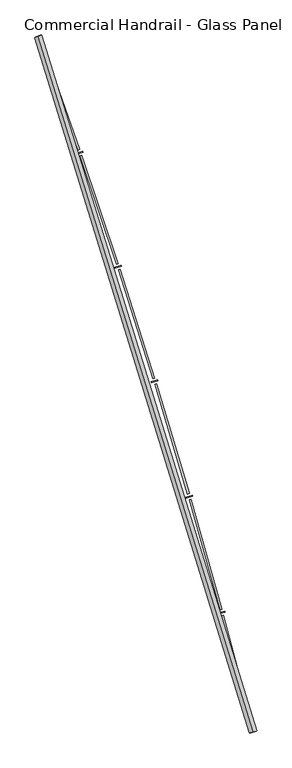
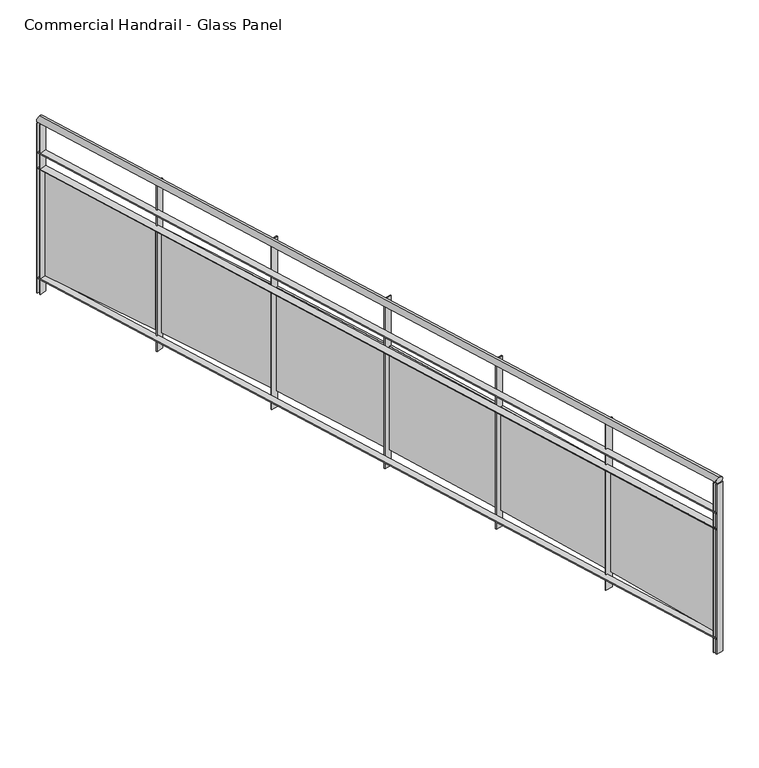
"""IFC4 building model written with IfcOpenShell, lengths in millimetres: railing geometry, Commercial Handrail - Glass Panel."""

from ifc_helpers import new_model, si_unit, point, frame, origin, place, context, project, spatial, polyline, circle_curve, ellipse_curve, trimmed, outline, extrude, source, transform, mapped, element, save
from ifc_brep_helpers import plane_surface, cylinder_surface, revolved_surface, advanced_brep


def commercial_handrail_glass_panel_5fe4cafb(model_context):
    return source(origin(), model_context, "Body", "SolidModel", [
        advanced_brep(
        [(180775.6028582, -41782.2225015, 29882.5), (179346.0628414, -37160.8311359, 29882.5), (179346.0628414, -37160.8311359, 29917.5), (180775.6028582, -41782.2225015, 29917.5)],
        [
            (0, 1, circle_curve(frame((134505.1876621, -53563.3040857, 29882.5), z_axis=(0.0, 0.0, 1.0), x_axis=(0.9391412678699065, 0.3435311906999195, 0.0)), 47746.6774311)),
            (1, 2, ellipse_curve(frame((179346.0628414, -37160.8311359, 29900.0), z_axis=(0.34353119069991334, -0.9391412678699089, 0.0), x_axis=(-0.9391412678699087, -0.3435311906999133, 0.0)), 25.0, 17.5)),
            (2, 3, circle_curve(frame((134505.1876621, -53563.3040857, 29917.5), z_axis=(0.0, 0.0, -1.0), x_axis=(0.9391412678699065, 0.3435311906999195, 0.0)), 47746.6774311)),
            (3, 0, ellipse_curve(frame((180775.6028582, -41782.2225015, 29900.0), z_axis=(-0.24674139056469252, 0.969081362003316, 0.0), x_axis=(-0.969081362003316, -0.24674139056469252, 0.0)), 25.0, 17.5)),
            (2, 1, ellipse_curve(frame((179346.0628414, -37160.8311359, 29900.0), z_axis=(0.34353119069991334, -0.9391412678699089, 0.0), x_axis=(-0.9391412678699087, -0.3435311906999133, 0.0)), 25.0, 17.5)),
            (0, 3, ellipse_curve(frame((180775.6028582, -41782.2225015, 29900.0), z_axis=(-0.24674139056469252, 0.969081362003316, 0.0), x_axis=(-0.969081362003316, -0.24674139056469252, 0.0)), 25.0, 17.5)),
        ],
        [
            revolved_surface(trimmed(ellipse_curve(frame((179346.0628414, -37160.8311359, 29900.0), z_axis=(-0.3435311906999195, 0.9391412678699065, 0.0), x_axis=(0.0, 0.0, -1.0)), 17.5, 25.0), [point((179346.0628414, -37160.8311359, 29917.5))], [point((179346.0628414, -37160.8311359, 29882.5))], True, "CARTESIAN"), (134505.1876621, -53563.3040857, 29900.0), (0.0, 0.0, -1.0)),
            revolved_surface(trimmed(ellipse_curve(frame((179346.0628414, -37160.8311359, 29900.0), z_axis=(-0.3435311906999195, 0.9391412678699065, 0.0), x_axis=(0.0, 0.0, -1.0)), 17.5, 25.0), [point((179346.0628414, -37160.8311359, 29882.5))], [point((179346.0628414, -37160.8311359, 29917.5))], True, "CARTESIAN"), (134505.1876621, -53563.3040857, 29900.0), (0.0, 0.0, -1.0)),
            plane_surface(frame((179346.0628414, -37160.8311359, 29900.0), z_axis=(-0.3435311906999195, 0.9391412678699065, 0.0), x_axis=(0.9391412678699065, 0.3435311906999195, 0.0))),
            plane_surface(frame((180775.6028582, -41782.2225015, 29900.0), z_axis=(0.24674139056469271, -0.9690813620033158, 0.0), x_axis=(0.9690813620033158, 0.24674139056469271, 0.0))),
        ],
        [
            (0, [[1, 2, 3, 4]]),
            (1, [[-3, 5, -1, 6]]),
            (2, [[-2, -5]]),
            (3, [[-6, -4]]),
        ],
    ),
        advanced_brep(
        [(180797.4071889, -41776.6708203, 29700.0), (179367.1935199, -37153.1016841, 29700.0), (179324.9321629, -37168.5605877, 29700.0), (180753.7985276, -41787.7741828, 29700.0), (180797.4071889, -41776.6708203, 29694.0), (179367.1935199, -37153.1016841, 29694.0), (180753.7985276, -41787.7741828, 29694.0), (179324.9321629, -37168.5605877, 29694.0)],
        [
            (0, 1, circle_curve(frame((134505.1876621, -53563.3040857, 29700.0), z_axis=(0.0, 0.0, 1.0), x_axis=(0.9391412678699065, 0.3435311906999195, 0.0)), 47769.1774311)),
            (1, 2),
            (2, 3, circle_curve(frame((134505.1876621, -53563.3040857, 29700.0), z_axis=(0.0, 0.0, -1.0), x_axis=(0.9391412678699065, 0.3435311906999195, 0.0)), 47724.1774311)),
            (3, 0),
            (4, 5, circle_curve(frame((134505.1876621, -53563.3040857, 29694.0), z_axis=(0.0, 0.0, 1.0), x_axis=(0.9391412678699065, 0.3435311906999195, 0.0)), 47769.1774311)),
            (5, 1),
            (0, 4),
            (6, 7, circle_curve(frame((134505.1876621, -53563.3040857, 29694.0), z_axis=(0.0, 0.0, 1.0), x_axis=(0.9391412678699065, 0.3435311906999195, 0.0)), 47724.1774311)),
            (7, 5),
            (4, 6),
            (2, 7),
            (6, 3),
        ],
        [
            plane_surface(frame((134505.1876621, -53563.3040857, 29700.0), z_axis=(0.0, 0.0, 1.0), x_axis=(0.9391412678699065, 0.3435311906999195, 0.0))),
            cylinder_surface(frame((134505.1876621, -53563.3040857, 29700.0), z_axis=(0.0, 0.0, -1.0), x_axis=(0.9391412678699065, 0.3435311906999195, 0.0)), 47769.1774311),
            plane_surface(frame((134505.1876621, -53563.3040857, 29694.0), z_axis=(0.0, 0.0, -1.0), x_axis=(0.9391412678699065, 0.3435311906999195, 0.0))),
            revolved_surface(polyline([(179324.93216279164, -37168.56058762, 29694.0), (179324.93216279164, -37168.56058762, 29700.0)]), (134505.1876621, -53563.3040857, 29700.0), (0.0, 0.0, -1.0)),
            plane_surface(frame((179346.0628414, -37160.8311359, 29700.0), z_axis=(-0.3435311906999195, 0.9391412678699065, 0.0), x_axis=(0.9391412678699065, 0.3435311906999195, 0.0))),
            plane_surface(frame((180775.6028582, -41782.2225015, 29700.0), z_axis=(0.24674139056469271, -0.9690813620033158, 0.0), x_axis=(0.9690813620033158, 0.24674139056469271, 0.0))),
        ],
        [
            (0, [[1, 2, 3, 4]]),
            (1, [[5, 6, -1, 7]]),
            (2, [[8, 9, -5, 10]]),
            (3, [[-3, 11, -8, 12]]),
            (4, [[-2, -6, -9, -11]]),
            (5, [[-12, -10, -7, -4]]),
        ],
    ),
        advanced_brep(
        [(180797.4071889, -41776.6708203, 29600.0), (179367.1935199, -37153.1016841, 29600.0), (179324.9321629, -37168.5605877, 29600.0), (180753.7985276, -41787.7741828, 29600.0), (180797.4071889, -41776.6708203, 29594.0), (179367.1935199, -37153.1016841, 29594.0), (180753.7985276, -41787.7741828, 29594.0), (179324.9321629, -37168.5605877, 29594.0)],
        [
            (0, 1, circle_curve(frame((134505.1876621, -53563.3040857, 29600.0), z_axis=(0.0, 0.0, 1.0), x_axis=(0.9391412678699065, 0.3435311906999195, 0.0)), 47769.1774311)),
            (1, 2),
            (2, 3, circle_curve(frame((134505.1876621, -53563.3040857, 29600.0), z_axis=(0.0, 0.0, -1.0), x_axis=(0.9391412678699065, 0.3435311906999195, 0.0)), 47724.1774311)),
            (3, 0),
            (4, 5, circle_curve(frame((134505.1876621, -53563.3040857, 29594.0), z_axis=(0.0, 0.0, 1.0), x_axis=(0.9391412678699065, 0.3435311906999195, 0.0)), 47769.1774311)),
            (5, 1),
            (0, 4),
            (6, 7, circle_curve(frame((134505.1876621, -53563.3040857, 29594.0), z_axis=(0.0, 0.0, 1.0), x_axis=(0.9391412678699065, 0.3435311906999195, 0.0)), 47724.1774311)),
            (7, 5),
            (4, 6),
            (2, 7),
            (6, 3),
        ],
        [
            plane_surface(frame((134505.1876621, -53563.3040857, 29600.0), z_axis=(0.0, 0.0, 1.0), x_axis=(0.9391412678699065, 0.3435311906999195, 0.0))),
            cylinder_surface(frame((134505.1876621, -53563.3040857, 29600.0), z_axis=(0.0, 0.0, -1.0), x_axis=(0.9391412678699065, 0.3435311906999195, 0.0)), 47769.1774311),
            plane_surface(frame((134505.1876621, -53563.3040857, 29594.0), z_axis=(0.0, 0.0, -1.0), x_axis=(0.9391412678699065, 0.3435311906999195, 0.0))),
            revolved_surface(polyline([(179324.93216279164, -37168.56058762, 29594.0), (179324.93216279164, -37168.56058762, 29600.0)]), (134505.1876621, -53563.3040857, 29600.0), (0.0, 0.0, -1.0)),
            plane_surface(frame((179346.0628414, -37160.8311359, 29600.0), z_axis=(-0.3435311906999195, 0.9391412678699065, 0.0), x_axis=(0.9391412678699065, 0.3435311906999195, 0.0))),
            plane_surface(frame((180775.6028582, -41782.2225015, 29600.0), z_axis=(0.24674139056469271, -0.9690813620033158, 0.0), x_axis=(0.9690813620033158, 0.24674139056469271, 0.0))),
        ],
        [
            (0, [[1, 2, 3, 4]]),
            (1, [[5, 6, -1, 7]]),
            (2, [[8, 9, -5, 10]]),
            (3, [[-3, 11, -8, 12]]),
            (4, [[-2, -6, -9, -11]]),
            (5, [[-12, -10, -7, -4]]),
        ],
    ),
        advanced_brep(
        [(180797.4071889, -41776.6708203, 28900.0), (179367.1935199, -37153.1016841, 28900.0), (179324.9321629, -37168.5605877, 28900.0), (180753.7985276, -41787.7741828, 28900.0), (180797.4071889, -41776.6708203, 28894.0), (179367.1935199, -37153.1016841, 28894.0), (180753.7985276, -41787.7741828, 28894.0), (179324.9321629, -37168.5605877, 28894.0)],
        [
            (0, 1, circle_curve(frame((134505.1876621, -53563.3040857, 28900.0), z_axis=(0.0, 0.0, 1.0), x_axis=(0.9391412678699065, 0.3435311906999195, 0.0)), 47769.1774311)),
            (1, 2),
            (2, 3, circle_curve(frame((134505.1876621, -53563.3040857, 28900.0), z_axis=(0.0, 0.0, -1.0), x_axis=(0.9391412678699065, 0.3435311906999195, 0.0)), 47724.1774311)),
            (3, 0),
            (4, 5, circle_curve(frame((134505.1876621, -53563.3040857, 28894.0), z_axis=(0.0, 0.0, 1.0), x_axis=(0.9391412678699065, 0.3435311906999195, 0.0)), 47769.1774311)),
            (5, 1),
            (0, 4),
            (6, 7, circle_curve(frame((134505.1876621, -53563.3040857, 28894.0), z_axis=(0.0, 0.0, 1.0), x_axis=(0.9391412678699065, 0.3435311906999195, 0.0)), 47724.1774311)),
            (7, 5),
            (4, 6),
            (2, 7),
            (6, 3),
        ],
        [
            plane_surface(frame((134505.1876621, -53563.3040857, 28900.0), z_axis=(0.0, 0.0, 1.0), x_axis=(0.9391412678699065, 0.3435311906999195, 0.0))),
            cylinder_surface(frame((134505.1876621, -53563.3040857, 28900.0), z_axis=(0.0, 0.0, -1.0), x_axis=(0.9391412678699065, 0.3435311906999195, 0.0)), 47769.1774311),
            plane_surface(frame((134505.1876621, -53563.3040857, 28894.0), z_axis=(0.0, 0.0, -1.0), x_axis=(0.9391412678699065, 0.3435311906999195, 0.0))),
            revolved_surface(polyline([(179324.93216279164, -37168.56058762, 28894.0), (179324.93216279164, -37168.56058762, 28900.0)]), (134505.1876621, -53563.3040857, 28900.0), (0.0, 0.0, -1.0)),
            plane_surface(frame((179346.0628414, -37160.8311359, 28900.0), z_axis=(-0.3435311906999195, 0.9391412678699065, 0.0), x_axis=(0.9391412678699065, 0.3435311906999195, 0.0))),
            plane_surface(frame((180775.6028582, -41782.2225015, 28900.0), z_axis=(0.24674139056469271, -0.9690813620033158, 0.0), x_axis=(0.9690813620033158, 0.24674139056469271, 0.0))),
        ],
        [
            (0, [[1, 2, 3, 4]]),
            (1, [[5, 6, -1, 7]]),
            (2, [[8, 9, -5, 10]]),
            (3, [[-3, 11, -8, 12]]),
            (4, [[-2, -6, -9, -11]]),
            (5, [[-12, -10, -7, -4]]),
        ],
    ),
        extrude(outline(polyline([(180748.1806794, -41765.7315693), (180791.7847427, -41754.6101634), (180793.2675968, -41760.4240385), (180749.6635336, -41771.5454444), (180748.1806794, -41765.7315693)])), frame((0.0, 0.0, 28800.0), z_axis=(0.0, 0.0, 1.0), x_axis=(1.0, 0.0, 0.0)), (0.0, 0.0, 1.0), 1082.1192282),
        extrude(outline(polyline([(180579.0506002, -41006.960836), (180773.041554, -41741.7856518), (180761.4390569, -41744.8486668), (180567.4481031, -41010.0238511), (180579.0506002, -41006.960836)])), frame((0.0, 0.0, 28920.0), z_axis=(0.0, 0.0, 1.0), x_axis=(1.0, 0.0, 0.0)), (0.0, 0.0, 1.0), 660.0),
        extrude(outline(polyline([(180544.0296903, -40992.6181386), (180587.4413017, -40980.7677378), (180589.0213551, -40986.5559526), (180545.6097438, -40998.4063534), (180544.0296903, -40992.6181386)])), frame((0.0, 0.0, 28800.0), z_axis=(0.0, 0.0, 1.0), x_axis=(1.0, 0.0, 0.0)), (0.0, 0.0, 1.0), 1082.1192282),
        extrude(outline(polyline([(180362.2106717, -40236.7875664), (180568.485878, -40968.2590554), (180556.9363282, -40971.5160323), (180350.6611219, -40240.0445433), (180362.2106717, -40236.7875664)])), frame((0.0, 0.0, 28920.0), z_axis=(0.0, 0.0, 1.0), x_axis=(1.0, 0.0, 0.0)), (0.0, 0.0, 1.0), 660.0),
        extrude(outline(polyline([(180326.9543755, -40223.0336333), (180370.1613482, -40210.4575643), (180371.8381574, -40216.218494), (180328.6311847, -40228.794563), (180326.9543755, -40223.0336333)])), frame((0.0, 0.0, 28800.0), z_axis=(0.0, 0.0, 1.0), x_axis=(1.0, 0.0, 0.0)), (0.0, 0.0, 1.0), 1082.1192282),
        extrude(outline(polyline([(180132.4974589, -39470.3554039), (180350.9990108, -40198.2682227), (180339.5056505, -40201.7182472), (180121.0040986, -39473.8054284), (180132.4974589, -39470.3554039)])), frame((0.0, 0.0, 28920.0), z_axis=(0.0, 0.0, 1.0), x_axis=(1.0, 0.0, 0.0)), (0.0, 0.0, 1.0), 660.0),
        extrude(outline(polyline([(180097.0156738, -39457.1940962), (180140.0058784, -39443.8958894), (180141.7789726, -39449.6279167), (180098.788768, -39462.9261235), (180097.0156738, -39457.1940962)])), frame((0.0, 0.0, 28800.0), z_axis=(0.0, 0.0, 1.0), x_axis=(1.0, 0.0, 0.0)), (0.0, 0.0, 1.0), 1082.1192282),
        extrude(outline(polyline([(179889.9754484, -38707.8795063), (180120.6420068, -39432.0293105), (180109.2080625, -39435.6714141), (179878.5415042, -38711.5216099), (179889.9754484, -38707.8795063)])), frame((0.0, 0.0, 28920.0), z_axis=(0.0, 0.0, 1.0), x_axis=(1.0, 0.0, 0.0)), (0.0, 0.0, 1.0), 660.0),
        extrude(outline(polyline([(179854.278135, -38695.3145188), (179897.0395032, -38681.2979075), (179898.9083847, -38686.9994232), (179856.1470165, -38701.0160346), (179854.278135, -38695.3145188)])), frame((0.0, 0.0, 28800.0), z_axis=(0.0, 0.0, 1.0), x_axis=(1.0, 0.0, 0.0)), (0.0, 0.0, 1.0), 1082.1192282),
        extrude(outline(polyline([(179634.7127226, -37949.5739211), (179877.4795332, -38669.7574225), (179866.1082147, -38673.5905826), (179623.3414042, -37953.4070812), (179634.7127226, -37949.5739211)])), frame((0.0, 0.0, 28920.0), z_axis=(0.0, 0.0, 1.0), x_axis=(1.0, 0.0, 0.0)), (0.0, 0.0, 1.0), 660.0),
        extrude(outline(polyline([(179598.8099021, -37937.608781), (179641.3304295, -37922.8776999), (179643.2945737, -37928.5471036), (179600.7740463, -37943.2781847), (179598.8099021, -37937.608781)])), frame((0.0, 0.0, 28800.0), z_axis=(0.0, 0.0, 1.0), x_axis=(1.0, 0.0, 0.0)), (0.0, 0.0, 1.0), 1082.1192282),
        extrude(outline(polyline([(179366.7809405, -37195.6515245), (179621.5798522, -37911.6665486), (179610.2743518, -37915.6896893), (179355.4754402, -37199.6746652), (179366.7809405, -37195.6515245)])), frame((0.0, 0.0, 28920.0), z_axis=(0.0, 0.0, 1.0), x_axis=(1.0, 0.0, 0.0)), (0.0, 0.0, 1.0), 660.0),
        extrude(outline(polyline([(179330.6826918, -37184.2895909), (179372.9504418, -37168.8481755), (179375.0092972, -37174.4838755), (179332.7415472, -37189.9252909), (179330.6826918, -37184.2895909)])), frame((0.0, 0.0, 28800.0), z_axis=(0.0, 0.0, 1.0), x_axis=(1.0, 0.0, 0.0)), (0.0, 0.0, 1.0), 1082.1192282),
        extrude(outline(polyline([(180753.0583034, -41784.8669387), (180796.6669647, -41773.7635762), (180798.147413, -41779.5780643), (180754.5387518, -41790.6814269), (180753.0583034, -41784.8669387)])), frame((0.0, 0.0, 28800.0), z_axis=(0.0, 0.0, 1.0), x_axis=(1.0, 0.0, 0.0)), (0.0, 0.0, 1.0), 1082.1192282),
        extrude(outline(polyline([(179323.9015693, -37165.7431638), (179366.1629263, -37150.2842603), (179368.2241135, -37155.9191079), (179325.9627564, -37171.3780115), (179323.9015693, -37165.7431638)])), frame((0.0, 0.0, 28800.0), z_axis=(0.0, 0.0, 1.0), x_axis=(1.0, 0.0, 0.0)), (0.0, 0.0, 1.0), 1082.1192282),
    ])


if __name__ == "__main__":
    model = new_model("IFC4")
    model_context = context("Model", 3, world=origin())
    ifc_project = project(units=[si_unit("LENGTHUNIT", "METRE", prefix="MILLI")], contexts=[model_context])
    site = spatial("IfcSite", under=ifc_project)
    building = spatial("IfcBuilding", under=site)
    placement = place(None, origin())
    commercial_handrail_glass_panel_shape = commercial_handrail_glass_panel_5fe4cafb(model_context)
    element("IfcRailing", 1, ObjectType="Commercial Handrail - Glass Panel", at=placement, inside=building, context=model_context, shape_type="MappedRepresentation", body=[
        mapped(commercial_handrail_glass_panel_shape, transform((0.0, 0.0, 0.0), x_axis=(1.0, 0.0, 0.0), y_axis=(0.0, 1.0, 0.0), z_axis=(0.0, 0.0, 1.0))),
    ])
    save(model, "model.ifc")
